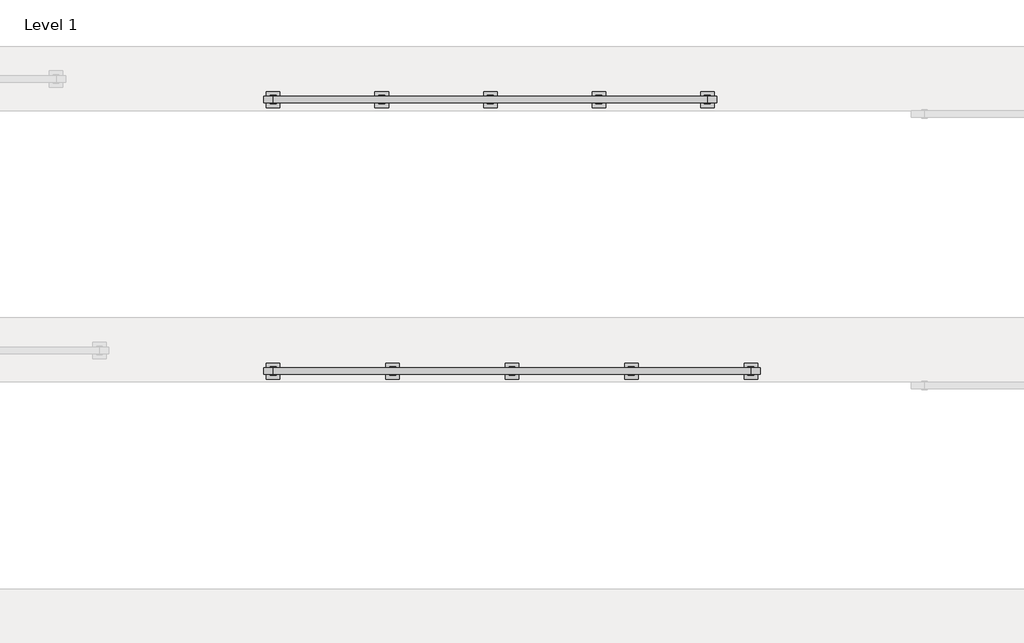
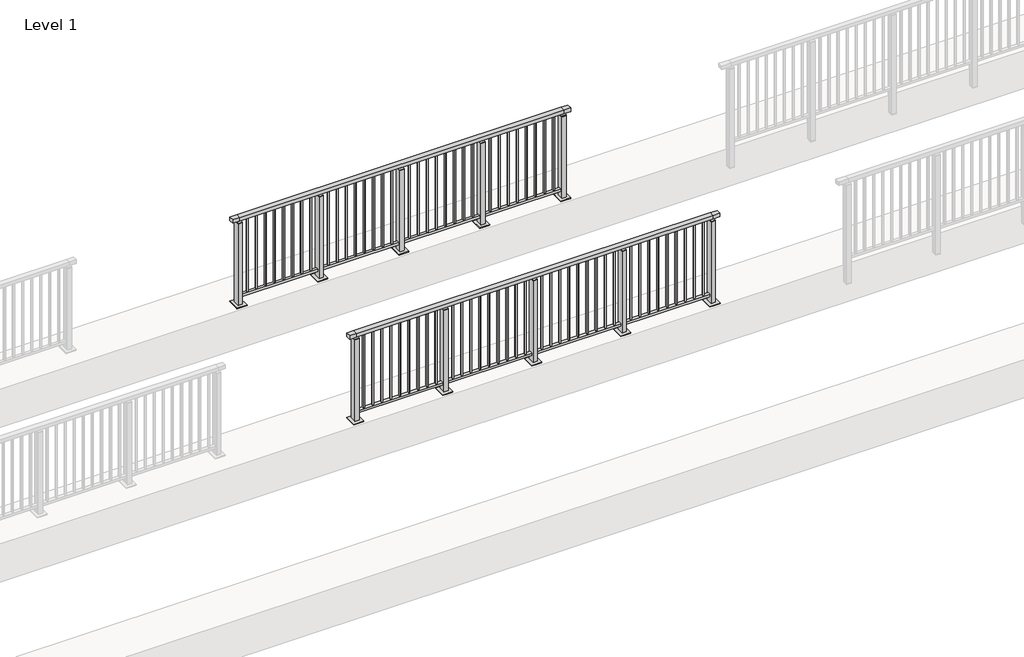
# One storey, part 14 of 38: 2 railings.
"""IFC4 building model written with IfcOpenShell, lengths in millimetres."""

from ifc_helpers import new_model, si_unit, frame, origin, origin_with_axes, place, context, project, spatial, polyline, outline, extrude, faceted_brep, element, save

model = new_model("IFC4")

# Units and contexts
model_context = context("Model", 3, world=origin())
ifc_project = project(units=[si_unit("LENGTHUNIT", "METRE", prefix="MILLI")], contexts=[model_context])

# Site, building, storey
site = spatial("IfcSite", under=ifc_project)
building = spatial("IfcBuilding", under=site)
storey = spatial("IfcBuildingStorey", under=building, Name="Level 1", Elevation=0.0)

# Railings
placement = place(None, origin())
element("IfcRailing", 1, at=placement, inside=storey, context=model_context, shape_type="SolidModel", body=[
    faceted_brep([(6000.0, 20030.1846828, 1102.5), (6000.0, 20030.1846828, 1150.0), (10400.0, 20030.1846828, 1150.0), (10400.0, 20030.1846828, 1102.5), (6000.0, 19970.1846828, 1102.5), (10400.0, 19970.1846828, 1102.5), (6000.0, 19970.1846828, 1150.0), (10400.0, 19970.1846828, 1150.0), (5912.5, 20030.1846828, 1150.0), (5912.5, 20030.1846828, 1102.5), (5912.5, 19970.1846828, 1102.5), (5912.5, 19970.1846828, 1150.0), (10487.5, 20030.1846828, 1150.0), (10487.5, 19970.1846828, 1150.0), (10487.5, 19970.1846828, 1102.5), (10487.5, 20030.1846828, 1102.5)], [[[0, 1, 2, 3]], [[4, 0, 3, 5]], [[6, 4, 5, 7]], [[1, 6, 7, 2]], [[8, 9, 10, 11]], [[9, 8, 1, 0]], [[10, 9, 0, 4]], [[11, 10, 4, 6]], [[8, 11, 6, 1]], [[12, 13, 14, 15]], [[3, 2, 12, 15]], [[5, 3, 15, 14]], [[7, 5, 14, 13]], [[2, 7, 13, 12]]]),
    extrude(outline(polyline([(6000.0, 19982.1846828), (6000.0, 20018.1846828), (10400.0, 20018.1846828), (10400.0, 19982.1846828), (6000.0, 19982.1846828)])), frame((0.0, 0.0, 93.0), z_axis=(0.0, 0.0, 1.0), x_axis=(1.0, 0.0, 0.0)), (0.0, 0.0, 1.0), 32.0),
    extrude(outline(polyline([(10306.5, 20008.6846828), (10306.5, 19991.6846828), (10289.5, 19991.6846828), (10289.5, 20008.6846828), (10306.5, 20008.6846828)])), frame((0.0, 0.0, 125.0), z_axis=(0.0, 0.0, 1.0), x_axis=(1.0, 0.0, 0.0)), (0.0, 0.0, 1.0), 980.0),
    extrude(outline(polyline([(10194.5, 20008.6846828), (10194.5, 19991.6846828), (10177.5, 19991.6846828), (10177.5, 20008.6846828), (10194.5, 20008.6846828)])), frame((0.0, 0.0, 125.0), z_axis=(0.0, 0.0, 1.0), x_axis=(1.0, 0.0, 0.0)), (0.0, 0.0, 1.0), 980.0),
    extrude(outline(polyline([(10082.5, 20008.6846828), (10082.5, 19991.6846828), (10065.5, 19991.6846828), (10065.5, 20008.6846828), (10082.5, 20008.6846828)])), frame((0.0, 0.0, 125.0), z_axis=(0.0, 0.0, 1.0), x_axis=(1.0, 0.0, 0.0)), (0.0, 0.0, 1.0), 980.0),
    extrude(outline(polyline([(9970.5, 20008.6846828), (9970.5, 19991.6846828), (9953.5, 19991.6846828), (9953.5, 20008.6846828), (9970.5, 20008.6846828)])), frame((0.0, 0.0, 125.0), z_axis=(0.0, 0.0, 1.0), x_axis=(1.0, 0.0, 0.0)), (0.0, 0.0, 1.0), 980.0),
    extrude(outline(polyline([(9858.5, 20008.6846828), (9858.5, 19991.6846828), (9841.5, 19991.6846828), (9841.5, 20008.6846828), (9858.5, 20008.6846828)])), frame((0.0, 0.0, 125.0), z_axis=(0.0, 0.0, 1.0), x_axis=(1.0, 0.0, 0.0)), (0.0, 0.0, 1.0), 980.0),
    extrude(outline(polyline([(9746.5, 20008.6846828), (9746.5, 19991.6846828), (9729.5, 19991.6846828), (9729.5, 20008.6846828), (9746.5, 20008.6846828)])), frame((0.0, 0.0, 125.0), z_axis=(0.0, 0.0, 1.0), x_axis=(1.0, 0.0, 0.0)), (0.0, 0.0, 1.0), 980.0),
    extrude(outline(polyline([(9634.5, 20008.6846828), (9634.5, 19991.6846828), (9617.5, 19991.6846828), (9617.5, 20008.6846828), (9634.5, 20008.6846828)])), frame((0.0, 0.0, 125.0), z_axis=(0.0, 0.0, 1.0), x_axis=(1.0, 0.0, 0.0)), (0.0, 0.0, 1.0), 980.0),
    extrude(outline(polyline([(9522.5, 20008.6846828), (9522.5, 19991.6846828), (9505.5, 19991.6846828), (9505.5, 20008.6846828), (9522.5, 20008.6846828)])), frame((0.0, 0.0, 125.0), z_axis=(0.0, 0.0, 1.0), x_axis=(1.0, 0.0, 0.0)), (0.0, 0.0, 1.0), 980.0),
    extrude(outline(polyline([(9410.5, 20008.6846828), (9410.5, 19991.6846828), (9393.5, 19991.6846828), (9393.5, 20008.6846828), (9410.5, 20008.6846828)])), frame((0.0, 0.0, 125.0), z_axis=(0.0, 0.0, 1.0), x_axis=(1.0, 0.0, 0.0)), (0.0, 0.0, 1.0), 980.0),
    extrude(outline(polyline([(9310.0, 19990.1846828), (9290.0, 19990.1846828), (9290.0, 20010.1846828), (9310.0, 20010.1846828), (9310.0, 19990.1846828)])), frame((0.0, 0.0, 1085.0), z_axis=(0.0, 0.0, 1.0), x_axis=(1.0, 0.0, 0.0)), (0.0, 0.0, 1.0), 20.0),
    extrude(outline(polyline([(9327.0, 19961.1846828), (9273.0, 19961.1846828), (9273.0, 20039.1846828), (9327.0, 20039.1846828), (9327.0, 19961.1846828)])), frame((0.0, 0.0, 1077.0), z_axis=(0.0, 0.0, 1.0), x_axis=(1.0, 0.0, 0.0)), (0.0, 0.0, 1.0), 8.0),
    extrude(outline(polyline([(9362.5, 19925.1846828), (9237.5, 19925.1846828), (9237.5, 20075.1846828), (9362.5, 20075.1846828), (9362.5, 19925.1846828)])), origin_with_axes(), (0.0, 0.0, 1.0), 12.0),
    extrude(outline(polyline([(9327.0, 19961.1846828), (9273.0, 19961.1846828), (9273.0, 20039.1846828), (9327.0, 20039.1846828), (9327.0, 19961.1846828)])), frame((0.0, 0.0, 12.0), z_axis=(0.0, 0.0, 1.0), x_axis=(1.0, 0.0, 0.0)), (0.0, 0.0, 1.0), 1065.0),
    extrude(outline(polyline([(9206.5, 20008.6846828), (9206.5, 19991.6846828), (9189.5, 19991.6846828), (9189.5, 20008.6846828), (9206.5, 20008.6846828)])), frame((0.0, 0.0, 125.0), z_axis=(0.0, 0.0, 1.0), x_axis=(1.0, 0.0, 0.0)), (0.0, 0.0, 1.0), 980.0),
    extrude(outline(polyline([(9094.5, 20008.6846828), (9094.5, 19991.6846828), (9077.5, 19991.6846828), (9077.5, 20008.6846828), (9094.5, 20008.6846828)])), frame((0.0, 0.0, 125.0), z_axis=(0.0, 0.0, 1.0), x_axis=(1.0, 0.0, 0.0)), (0.0, 0.0, 1.0), 980.0),
    extrude(outline(polyline([(8982.5, 20008.6846828), (8982.5, 19991.6846828), (8965.5, 19991.6846828), (8965.5, 20008.6846828), (8982.5, 20008.6846828)])), frame((0.0, 0.0, 125.0), z_axis=(0.0, 0.0, 1.0), x_axis=(1.0, 0.0, 0.0)), (0.0, 0.0, 1.0), 980.0),
    extrude(outline(polyline([(8870.5, 20008.6846828), (8870.5, 19991.6846828), (8853.5, 19991.6846828), (8853.5, 20008.6846828), (8870.5, 20008.6846828)])), frame((0.0, 0.0, 125.0), z_axis=(0.0, 0.0, 1.0), x_axis=(1.0, 0.0, 0.0)), (0.0, 0.0, 1.0), 980.0),
    extrude(outline(polyline([(8758.5, 20008.6846828), (8758.5, 19991.6846828), (8741.5, 19991.6846828), (8741.5, 20008.6846828), (8758.5, 20008.6846828)])), frame((0.0, 0.0, 125.0), z_axis=(0.0, 0.0, 1.0), x_axis=(1.0, 0.0, 0.0)), (0.0, 0.0, 1.0), 980.0),
    extrude(outline(polyline([(8646.5, 20008.6846828), (8646.5, 19991.6846828), (8629.5, 19991.6846828), (8629.5, 20008.6846828), (8646.5, 20008.6846828)])), frame((0.0, 0.0, 125.0), z_axis=(0.0, 0.0, 1.0), x_axis=(1.0, 0.0, 0.0)), (0.0, 0.0, 1.0), 980.0),
    extrude(outline(polyline([(8534.5, 20008.6846828), (8534.5, 19991.6846828), (8517.5, 19991.6846828), (8517.5, 20008.6846828), (8534.5, 20008.6846828)])), frame((0.0, 0.0, 125.0), z_axis=(0.0, 0.0, 1.0), x_axis=(1.0, 0.0, 0.0)), (0.0, 0.0, 1.0), 980.0),
    extrude(outline(polyline([(8422.5, 20008.6846828), (8422.5, 19991.6846828), (8405.5, 19991.6846828), (8405.5, 20008.6846828), (8422.5, 20008.6846828)])), frame((0.0, 0.0, 125.0), z_axis=(0.0, 0.0, 1.0), x_axis=(1.0, 0.0, 0.0)), (0.0, 0.0, 1.0), 980.0),
    extrude(outline(polyline([(8310.5, 20008.6846828), (8310.5, 19991.6846828), (8293.5, 19991.6846828), (8293.5, 20008.6846828), (8310.5, 20008.6846828)])), frame((0.0, 0.0, 125.0), z_axis=(0.0, 0.0, 1.0), x_axis=(1.0, 0.0, 0.0)), (0.0, 0.0, 1.0), 980.0),
    extrude(outline(polyline([(8210.0, 19990.1846828), (8190.0, 19990.1846828), (8190.0, 20010.1846828), (8210.0, 20010.1846828), (8210.0, 19990.1846828)])), frame((0.0, 0.0, 1085.0), z_axis=(0.0, 0.0, 1.0), x_axis=(1.0, 0.0, 0.0)), (0.0, 0.0, 1.0), 20.0),
    extrude(outline(polyline([(8227.0, 19961.1846828), (8173.0, 19961.1846828), (8173.0, 20039.1846828), (8227.0, 20039.1846828), (8227.0, 19961.1846828)])), frame((0.0, 0.0, 1077.0), z_axis=(0.0, 0.0, 1.0), x_axis=(1.0, 0.0, 0.0)), (0.0, 0.0, 1.0), 8.0),
    extrude(outline(polyline([(8262.5, 19925.1846828), (8137.5, 19925.1846828), (8137.5, 20075.1846828), (8262.5, 20075.1846828), (8262.5, 19925.1846828)])), origin_with_axes(), (0.0, 0.0, 1.0), 12.0),
    extrude(outline(polyline([(8227.0, 19961.1846828), (8173.0, 19961.1846828), (8173.0, 20039.1846828), (8227.0, 20039.1846828), (8227.0, 19961.1846828)])), frame((0.0, 0.0, 12.0), z_axis=(0.0, 0.0, 1.0), x_axis=(1.0, 0.0, 0.0)), (0.0, 0.0, 1.0), 1065.0),
    extrude(outline(polyline([(8106.5, 20008.6846828), (8106.5, 19991.6846828), (8089.5, 19991.6846828), (8089.5, 20008.6846828), (8106.5, 20008.6846828)])), frame((0.0, 0.0, 125.0), z_axis=(0.0, 0.0, 1.0), x_axis=(1.0, 0.0, 0.0)), (0.0, 0.0, 1.0), 980.0),
    extrude(outline(polyline([(7994.5, 20008.6846828), (7994.5, 19991.6846828), (7977.5, 19991.6846828), (7977.5, 20008.6846828), (7994.5, 20008.6846828)])), frame((0.0, 0.0, 125.0), z_axis=(0.0, 0.0, 1.0), x_axis=(1.0, 0.0, 0.0)), (0.0, 0.0, 1.0), 980.0),
    extrude(outline(polyline([(7882.5, 20008.6846828), (7882.5, 19991.6846828), (7865.5, 19991.6846828), (7865.5, 20008.6846828), (7882.5, 20008.6846828)])), frame((0.0, 0.0, 125.0), z_axis=(0.0, 0.0, 1.0), x_axis=(1.0, 0.0, 0.0)), (0.0, 0.0, 1.0), 980.0),
    extrude(outline(polyline([(7770.5, 20008.6846828), (7770.5, 19991.6846828), (7753.5, 19991.6846828), (7753.5, 20008.6846828), (7770.5, 20008.6846828)])), frame((0.0, 0.0, 125.0), z_axis=(0.0, 0.0, 1.0), x_axis=(1.0, 0.0, 0.0)), (0.0, 0.0, 1.0), 980.0),
    extrude(outline(polyline([(7658.5, 20008.6846828), (7658.5, 19991.6846828), (7641.5, 19991.6846828), (7641.5, 20008.6846828), (7658.5, 20008.6846828)])), frame((0.0, 0.0, 125.0), z_axis=(0.0, 0.0, 1.0), x_axis=(1.0, 0.0, 0.0)), (0.0, 0.0, 1.0), 980.0),
    extrude(outline(polyline([(7546.5, 20008.6846828), (7546.5, 19991.6846828), (7529.5, 19991.6846828), (7529.5, 20008.6846828), (7546.5, 20008.6846828)])), frame((0.0, 0.0, 125.0), z_axis=(0.0, 0.0, 1.0), x_axis=(1.0, 0.0, 0.0)), (0.0, 0.0, 1.0), 980.0),
    extrude(outline(polyline([(7434.5, 20008.6846828), (7434.5, 19991.6846828), (7417.5, 19991.6846828), (7417.5, 20008.6846828), (7434.5, 20008.6846828)])), frame((0.0, 0.0, 125.0), z_axis=(0.0, 0.0, 1.0), x_axis=(1.0, 0.0, 0.0)), (0.0, 0.0, 1.0), 980.0),
    extrude(outline(polyline([(7322.5, 20008.6846828), (7322.5, 19991.6846828), (7305.5, 19991.6846828), (7305.5, 20008.6846828), (7322.5, 20008.6846828)])), frame((0.0, 0.0, 125.0), z_axis=(0.0, 0.0, 1.0), x_axis=(1.0, 0.0, 0.0)), (0.0, 0.0, 1.0), 980.0),
    extrude(outline(polyline([(7210.5, 20008.6846828), (7210.5, 19991.6846828), (7193.5, 19991.6846828), (7193.5, 20008.6846828), (7210.5, 20008.6846828)])), frame((0.0, 0.0, 125.0), z_axis=(0.0, 0.0, 1.0), x_axis=(1.0, 0.0, 0.0)), (0.0, 0.0, 1.0), 980.0),
    extrude(outline(polyline([(7110.0, 19990.1846828), (7090.0, 19990.1846828), (7090.0, 20010.1846828), (7110.0, 20010.1846828), (7110.0, 19990.1846828)])), frame((0.0, 0.0, 1085.0), z_axis=(0.0, 0.0, 1.0), x_axis=(1.0, 0.0, 0.0)), (0.0, 0.0, 1.0), 20.0),
    extrude(outline(polyline([(7127.0, 19961.1846828), (7073.0, 19961.1846828), (7073.0, 20039.1846828), (7127.0, 20039.1846828), (7127.0, 19961.1846828)])), frame((0.0, 0.0, 1077.0), z_axis=(0.0, 0.0, 1.0), x_axis=(1.0, 0.0, 0.0)), (0.0, 0.0, 1.0), 8.0),
    extrude(outline(polyline([(7162.5, 19925.1846828), (7037.5, 19925.1846828), (7037.5, 20075.1846828), (7162.5, 20075.1846828), (7162.5, 19925.1846828)])), origin_with_axes(), (0.0, 0.0, 1.0), 12.0),
    extrude(outline(polyline([(7127.0, 19961.1846828), (7073.0, 19961.1846828), (7073.0, 20039.1846828), (7127.0, 20039.1846828), (7127.0, 19961.1846828)])), frame((0.0, 0.0, 12.0), z_axis=(0.0, 0.0, 1.0), x_axis=(1.0, 0.0, 0.0)), (0.0, 0.0, 1.0), 1065.0),
    extrude(outline(polyline([(7006.5, 20008.6846828), (7006.5, 19991.6846828), (6989.5, 19991.6846828), (6989.5, 20008.6846828), (7006.5, 20008.6846828)])), frame((0.0, 0.0, 125.0), z_axis=(0.0, 0.0, 1.0), x_axis=(1.0, 0.0, 0.0)), (0.0, 0.0, 1.0), 980.0),
    extrude(outline(polyline([(6894.5, 20008.6846828), (6894.5, 19991.6846828), (6877.5, 19991.6846828), (6877.5, 20008.6846828), (6894.5, 20008.6846828)])), frame((0.0, 0.0, 125.0), z_axis=(0.0, 0.0, 1.0), x_axis=(1.0, 0.0, 0.0)), (0.0, 0.0, 1.0), 980.0),
    extrude(outline(polyline([(6782.5, 20008.6846828), (6782.5, 19991.6846828), (6765.5, 19991.6846828), (6765.5, 20008.6846828), (6782.5, 20008.6846828)])), frame((0.0, 0.0, 125.0), z_axis=(0.0, 0.0, 1.0), x_axis=(1.0, 0.0, 0.0)), (0.0, 0.0, 1.0), 980.0),
    extrude(outline(polyline([(6670.5, 20008.6846828), (6670.5, 19991.6846828), (6653.5, 19991.6846828), (6653.5, 20008.6846828), (6670.5, 20008.6846828)])), frame((0.0, 0.0, 125.0), z_axis=(0.0, 0.0, 1.0), x_axis=(1.0, 0.0, 0.0)), (0.0, 0.0, 1.0), 980.0),
    extrude(outline(polyline([(6558.5, 20008.6846828), (6558.5, 19991.6846828), (6541.5, 19991.6846828), (6541.5, 20008.6846828), (6558.5, 20008.6846828)])), frame((0.0, 0.0, 125.0), z_axis=(0.0, 0.0, 1.0), x_axis=(1.0, 0.0, 0.0)), (0.0, 0.0, 1.0), 980.0),
    extrude(outline(polyline([(6446.5, 20008.6846828), (6446.5, 19991.6846828), (6429.5, 19991.6846828), (6429.5, 20008.6846828), (6446.5, 20008.6846828)])), frame((0.0, 0.0, 125.0), z_axis=(0.0, 0.0, 1.0), x_axis=(1.0, 0.0, 0.0)), (0.0, 0.0, 1.0), 980.0),
    extrude(outline(polyline([(6334.5, 20008.6846828), (6334.5, 19991.6846828), (6317.5, 19991.6846828), (6317.5, 20008.6846828), (6334.5, 20008.6846828)])), frame((0.0, 0.0, 125.0), z_axis=(0.0, 0.0, 1.0), x_axis=(1.0, 0.0, 0.0)), (0.0, 0.0, 1.0), 980.0),
    extrude(outline(polyline([(6222.5, 20008.6846828), (6222.5, 19991.6846828), (6205.5, 19991.6846828), (6205.5, 20008.6846828), (6222.5, 20008.6846828)])), frame((0.0, 0.0, 125.0), z_axis=(0.0, 0.0, 1.0), x_axis=(1.0, 0.0, 0.0)), (0.0, 0.0, 1.0), 980.0),
    extrude(outline(polyline([(6110.5, 20008.6846828), (6110.5, 19991.6846828), (6093.5, 19991.6846828), (6093.5, 20008.6846828), (6110.5, 20008.6846828)])), frame((0.0, 0.0, 125.0), z_axis=(0.0, 0.0, 1.0), x_axis=(1.0, 0.0, 0.0)), (0.0, 0.0, 1.0), 980.0),
    extrude(outline(polyline([(10410.0, 19990.1846828), (10390.0, 19990.1846828), (10390.0, 20010.1846828), (10410.0, 20010.1846828), (10410.0, 19990.1846828)])), frame((0.0, 0.0, 1085.0), z_axis=(0.0, 0.0, 1.0), x_axis=(1.0, 0.0, 0.0)), (0.0, 0.0, 1.0), 20.0),
    extrude(outline(polyline([(10427.0, 19961.1846828), (10373.0, 19961.1846828), (10373.0, 20039.1846828), (10427.0, 20039.1846828), (10427.0, 19961.1846828)])), frame((0.0, 0.0, 1077.0), z_axis=(0.0, 0.0, 1.0), x_axis=(1.0, 0.0, 0.0)), (0.0, 0.0, 1.0), 8.0),
    extrude(outline(polyline([(10462.5, 19925.1846828), (10337.5, 19925.1846828), (10337.5, 20075.1846828), (10462.5, 20075.1846828), (10462.5, 19925.1846828)])), origin_with_axes(), (0.0, 0.0, 1.0), 12.0),
    extrude(outline(polyline([(10427.0, 19961.1846828), (10373.0, 19961.1846828), (10373.0, 20039.1846828), (10427.0, 20039.1846828), (10427.0, 19961.1846828)])), frame((0.0, 0.0, 12.0), z_axis=(0.0, 0.0, 1.0), x_axis=(1.0, 0.0, 0.0)), (0.0, 0.0, 1.0), 1065.0),
    extrude(outline(polyline([(6010.0, 19990.1846828), (5990.0, 19990.1846828), (5990.0, 20010.1846828), (6010.0, 20010.1846828), (6010.0, 19990.1846828)])), frame((0.0, 0.0, 1085.0), z_axis=(0.0, 0.0, 1.0), x_axis=(1.0, 0.0, 0.0)), (0.0, 0.0, 1.0), 20.0),
    extrude(outline(polyline([(6027.0, 19961.1846828), (5973.0, 19961.1846828), (5973.0, 20039.1846828), (6027.0, 20039.1846828), (6027.0, 19961.1846828)])), frame((0.0, 0.0, 1077.0), z_axis=(0.0, 0.0, 1.0), x_axis=(1.0, 0.0, 0.0)), (0.0, 0.0, 1.0), 8.0),
    extrude(outline(polyline([(6062.5, 19925.1846828), (5937.5, 19925.1846828), (5937.5, 20075.1846828), (6062.5, 20075.1846828), (6062.5, 19925.1846828)])), origin_with_axes(), (0.0, 0.0, 1.0), 12.0),
    extrude(outline(polyline([(6027.0, 19961.1846828), (5973.0, 19961.1846828), (5973.0, 20039.1846828), (6027.0, 20039.1846828), (6027.0, 19961.1846828)])), frame((0.0, 0.0, 12.0), z_axis=(0.0, 0.0, 1.0), x_axis=(1.0, 0.0, 0.0)), (0.0, 0.0, 1.0), 1065.0),
])
element("IfcRailing", 2, at=placement, inside=storey, context=model_context, shape_type="SolidModel", body=[
    faceted_brep([(6000.0, 22530.1846828, 1102.5), (6000.0, 22530.1846828, 1150.0), (10000.0, 22530.1846828, 1150.0), (10000.0, 22530.1846828, 1102.5), (6000.0, 22470.1846828, 1102.5), (10000.0, 22470.1846828, 1102.5), (6000.0, 22470.1846828, 1150.0), (10000.0, 22470.1846828, 1150.0), (5912.5, 22530.1846828, 1150.0), (5912.5, 22530.1846828, 1102.5), (5912.5, 22470.1846828, 1102.5), (5912.5, 22470.1846828, 1150.0), (10087.5, 22530.1846828, 1150.0), (10087.5, 22470.1846828, 1150.0), (10087.5, 22470.1846828, 1102.5), (10087.5, 22530.1846828, 1102.5)], [[[0, 1, 2, 3]], [[4, 0, 3, 5]], [[6, 4, 5, 7]], [[1, 6, 7, 2]], [[8, 9, 10, 11]], [[9, 8, 1, 0]], [[10, 9, 0, 4]], [[11, 10, 4, 6]], [[8, 11, 6, 1]], [[12, 13, 14, 15]], [[3, 2, 12, 15]], [[5, 3, 15, 14]], [[7, 5, 14, 13]], [[2, 7, 13, 12]]]),
    extrude(outline(polyline([(6000.0, 22482.1846828), (6000.0, 22518.1846828), (10000.0, 22518.1846828), (10000.0, 22482.1846828), (6000.0, 22482.1846828)])), frame((0.0, 0.0, 93.0), z_axis=(0.0, 0.0, 1.0), x_axis=(1.0, 0.0, 0.0)), (0.0, 0.0, 1.0), 32.0),
    extrude(outline(polyline([(9900.5, 22508.6846828), (9900.5, 22491.6846828), (9883.5, 22491.6846828), (9883.5, 22508.6846828), (9900.5, 22508.6846828)])), frame((0.0, 0.0, 125.0), z_axis=(0.0, 0.0, 1.0), x_axis=(1.0, 0.0, 0.0)), (0.0, 0.0, 1.0), 980.0),
    extrude(outline(polyline([(9788.5, 22508.6846828), (9788.5, 22491.6846828), (9771.5, 22491.6846828), (9771.5, 22508.6846828), (9788.5, 22508.6846828)])), frame((0.0, 0.0, 125.0), z_axis=(0.0, 0.0, 1.0), x_axis=(1.0, 0.0, 0.0)), (0.0, 0.0, 1.0), 980.0),
    extrude(outline(polyline([(9676.5, 22508.6846828), (9676.5, 22491.6846828), (9659.5, 22491.6846828), (9659.5, 22508.6846828), (9676.5, 22508.6846828)])), frame((0.0, 0.0, 125.0), z_axis=(0.0, 0.0, 1.0), x_axis=(1.0, 0.0, 0.0)), (0.0, 0.0, 1.0), 980.0),
    extrude(outline(polyline([(9564.5, 22508.6846828), (9564.5, 22491.6846828), (9547.5, 22491.6846828), (9547.5, 22508.6846828), (9564.5, 22508.6846828)])), frame((0.0, 0.0, 125.0), z_axis=(0.0, 0.0, 1.0), x_axis=(1.0, 0.0, 0.0)), (0.0, 0.0, 1.0), 980.0),
    extrude(outline(polyline([(9452.5, 22508.6846828), (9452.5, 22491.6846828), (9435.5, 22491.6846828), (9435.5, 22508.6846828), (9452.5, 22508.6846828)])), frame((0.0, 0.0, 125.0), z_axis=(0.0, 0.0, 1.0), x_axis=(1.0, 0.0, 0.0)), (0.0, 0.0, 1.0), 980.0),
    extrude(outline(polyline([(9340.5, 22508.6846828), (9340.5, 22491.6846828), (9323.5, 22491.6846828), (9323.5, 22508.6846828), (9340.5, 22508.6846828)])), frame((0.0, 0.0, 125.0), z_axis=(0.0, 0.0, 1.0), x_axis=(1.0, 0.0, 0.0)), (0.0, 0.0, 1.0), 980.0),
    extrude(outline(polyline([(9228.5, 22508.6846828), (9228.5, 22491.6846828), (9211.5, 22491.6846828), (9211.5, 22508.6846828), (9228.5, 22508.6846828)])), frame((0.0, 0.0, 125.0), z_axis=(0.0, 0.0, 1.0), x_axis=(1.0, 0.0, 0.0)), (0.0, 0.0, 1.0), 980.0),
    extrude(outline(polyline([(9116.5, 22508.6846828), (9116.5, 22491.6846828), (9099.5, 22491.6846828), (9099.5, 22508.6846828), (9116.5, 22508.6846828)])), frame((0.0, 0.0, 125.0), z_axis=(0.0, 0.0, 1.0), x_axis=(1.0, 0.0, 0.0)), (0.0, 0.0, 1.0), 980.0),
    extrude(outline(polyline([(9010.0, 22490.1846828), (8990.0, 22490.1846828), (8990.0, 22510.1846828), (9010.0, 22510.1846828), (9010.0, 22490.1846828)])), frame((0.0, 0.0, 1085.0), z_axis=(0.0, 0.0, 1.0), x_axis=(1.0, 0.0, 0.0)), (0.0, 0.0, 1.0), 20.0),
    extrude(outline(polyline([(9027.0, 22461.1846828), (8973.0, 22461.1846828), (8973.0, 22539.1846828), (9027.0, 22539.1846828), (9027.0, 22461.1846828)])), frame((0.0, 0.0, 1077.0), z_axis=(0.0, 0.0, 1.0), x_axis=(1.0, 0.0, 0.0)), (0.0, 0.0, 1.0), 8.0),
    extrude(outline(polyline([(9062.5, 22425.1846828), (8937.5, 22425.1846828), (8937.5, 22575.1846828), (9062.5, 22575.1846828), (9062.5, 22425.1846828)])), origin_with_axes(), (0.0, 0.0, 1.0), 12.0),
    extrude(outline(polyline([(9027.0, 22461.1846828), (8973.0, 22461.1846828), (8973.0, 22539.1846828), (9027.0, 22539.1846828), (9027.0, 22461.1846828)])), frame((0.0, 0.0, 12.0), z_axis=(0.0, 0.0, 1.0), x_axis=(1.0, 0.0, 0.0)), (0.0, 0.0, 1.0), 1065.0),
    extrude(outline(polyline([(8900.5, 22508.6846828), (8900.5, 22491.6846828), (8883.5, 22491.6846828), (8883.5, 22508.6846828), (8900.5, 22508.6846828)])), frame((0.0, 0.0, 125.0), z_axis=(0.0, 0.0, 1.0), x_axis=(1.0, 0.0, 0.0)), (0.0, 0.0, 1.0), 980.0),
    extrude(outline(polyline([(8788.5, 22508.6846828), (8788.5, 22491.6846828), (8771.5, 22491.6846828), (8771.5, 22508.6846828), (8788.5, 22508.6846828)])), frame((0.0, 0.0, 125.0), z_axis=(0.0, 0.0, 1.0), x_axis=(1.0, 0.0, 0.0)), (0.0, 0.0, 1.0), 980.0),
    extrude(outline(polyline([(8676.5, 22508.6846828), (8676.5, 22491.6846828), (8659.5, 22491.6846828), (8659.5, 22508.6846828), (8676.5, 22508.6846828)])), frame((0.0, 0.0, 125.0), z_axis=(0.0, 0.0, 1.0), x_axis=(1.0, 0.0, 0.0)), (0.0, 0.0, 1.0), 980.0),
    extrude(outline(polyline([(8564.5, 22508.6846828), (8564.5, 22491.6846828), (8547.5, 22491.6846828), (8547.5, 22508.6846828), (8564.5, 22508.6846828)])), frame((0.0, 0.0, 125.0), z_axis=(0.0, 0.0, 1.0), x_axis=(1.0, 0.0, 0.0)), (0.0, 0.0, 1.0), 980.0),
    extrude(outline(polyline([(8452.5, 22508.6846828), (8452.5, 22491.6846828), (8435.5, 22491.6846828), (8435.5, 22508.6846828), (8452.5, 22508.6846828)])), frame((0.0, 0.0, 125.0), z_axis=(0.0, 0.0, 1.0), x_axis=(1.0, 0.0, 0.0)), (0.0, 0.0, 1.0), 980.0),
    extrude(outline(polyline([(8340.5, 22508.6846828), (8340.5, 22491.6846828), (8323.5, 22491.6846828), (8323.5, 22508.6846828), (8340.5, 22508.6846828)])), frame((0.0, 0.0, 125.0), z_axis=(0.0, 0.0, 1.0), x_axis=(1.0, 0.0, 0.0)), (0.0, 0.0, 1.0), 980.0),
    extrude(outline(polyline([(8228.5, 22508.6846828), (8228.5, 22491.6846828), (8211.5, 22491.6846828), (8211.5, 22508.6846828), (8228.5, 22508.6846828)])), frame((0.0, 0.0, 125.0), z_axis=(0.0, 0.0, 1.0), x_axis=(1.0, 0.0, 0.0)), (0.0, 0.0, 1.0), 980.0),
    extrude(outline(polyline([(8116.5, 22508.6846828), (8116.5, 22491.6846828), (8099.5, 22491.6846828), (8099.5, 22508.6846828), (8116.5, 22508.6846828)])), frame((0.0, 0.0, 125.0), z_axis=(0.0, 0.0, 1.0), x_axis=(1.0, 0.0, 0.0)), (0.0, 0.0, 1.0), 980.0),
    extrude(outline(polyline([(8010.0, 22490.1846828), (7990.0, 22490.1846828), (7990.0, 22510.1846828), (8010.0, 22510.1846828), (8010.0, 22490.1846828)])), frame((0.0, 0.0, 1085.0), z_axis=(0.0, 0.0, 1.0), x_axis=(1.0, 0.0, 0.0)), (0.0, 0.0, 1.0), 20.0),
    extrude(outline(polyline([(8027.0, 22461.1846828), (7973.0, 22461.1846828), (7973.0, 22539.1846828), (8027.0, 22539.1846828), (8027.0, 22461.1846828)])), frame((0.0, 0.0, 1077.0), z_axis=(0.0, 0.0, 1.0), x_axis=(1.0, 0.0, 0.0)), (0.0, 0.0, 1.0), 8.0),
    extrude(outline(polyline([(8062.5, 22425.1846828), (7937.5, 22425.1846828), (7937.5, 22575.1846828), (8062.5, 22575.1846828), (8062.5, 22425.1846828)])), origin_with_axes(), (0.0, 0.0, 1.0), 12.0),
    extrude(outline(polyline([(8027.0, 22461.1846828), (7973.0, 22461.1846828), (7973.0, 22539.1846828), (8027.0, 22539.1846828), (8027.0, 22461.1846828)])), frame((0.0, 0.0, 12.0), z_axis=(0.0, 0.0, 1.0), x_axis=(1.0, 0.0, 0.0)), (0.0, 0.0, 1.0), 1065.0),
    extrude(outline(polyline([(7900.5, 22508.6846828), (7900.5, 22491.6846828), (7883.5, 22491.6846828), (7883.5, 22508.6846828), (7900.5, 22508.6846828)])), frame((0.0, 0.0, 125.0), z_axis=(0.0, 0.0, 1.0), x_axis=(1.0, 0.0, 0.0)), (0.0, 0.0, 1.0), 980.0),
    extrude(outline(polyline([(7788.5, 22508.6846828), (7788.5, 22491.6846828), (7771.5, 22491.6846828), (7771.5, 22508.6846828), (7788.5, 22508.6846828)])), frame((0.0, 0.0, 125.0), z_axis=(0.0, 0.0, 1.0), x_axis=(1.0, 0.0, 0.0)), (0.0, 0.0, 1.0), 980.0),
    extrude(outline(polyline([(7676.5, 22508.6846828), (7676.5, 22491.6846828), (7659.5, 22491.6846828), (7659.5, 22508.6846828), (7676.5, 22508.6846828)])), frame((0.0, 0.0, 125.0), z_axis=(0.0, 0.0, 1.0), x_axis=(1.0, 0.0, 0.0)), (0.0, 0.0, 1.0), 980.0),
    extrude(outline(polyline([(7564.5, 22508.6846828), (7564.5, 22491.6846828), (7547.5, 22491.6846828), (7547.5, 22508.6846828), (7564.5, 22508.6846828)])), frame((0.0, 0.0, 125.0), z_axis=(0.0, 0.0, 1.0), x_axis=(1.0, 0.0, 0.0)), (0.0, 0.0, 1.0), 980.0),
    extrude(outline(polyline([(7452.5, 22508.6846828), (7452.5, 22491.6846828), (7435.5, 22491.6846828), (7435.5, 22508.6846828), (7452.5, 22508.6846828)])), frame((0.0, 0.0, 125.0), z_axis=(0.0, 0.0, 1.0), x_axis=(1.0, 0.0, 0.0)), (0.0, 0.0, 1.0), 980.0),
    extrude(outline(polyline([(7340.5, 22508.6846828), (7340.5, 22491.6846828), (7323.5, 22491.6846828), (7323.5, 22508.6846828), (7340.5, 22508.6846828)])), frame((0.0, 0.0, 125.0), z_axis=(0.0, 0.0, 1.0), x_axis=(1.0, 0.0, 0.0)), (0.0, 0.0, 1.0), 980.0),
    extrude(outline(polyline([(7228.5, 22508.6846828), (7228.5, 22491.6846828), (7211.5, 22491.6846828), (7211.5, 22508.6846828), (7228.5, 22508.6846828)])), frame((0.0, 0.0, 125.0), z_axis=(0.0, 0.0, 1.0), x_axis=(1.0, 0.0, 0.0)), (0.0, 0.0, 1.0), 980.0),
    extrude(outline(polyline([(7116.5, 22508.6846828), (7116.5, 22491.6846828), (7099.5, 22491.6846828), (7099.5, 22508.6846828), (7116.5, 22508.6846828)])), frame((0.0, 0.0, 125.0), z_axis=(0.0, 0.0, 1.0), x_axis=(1.0, 0.0, 0.0)), (0.0, 0.0, 1.0), 980.0),
    extrude(outline(polyline([(7010.0, 22490.1846828), (6990.0, 22490.1846828), (6990.0, 22510.1846828), (7010.0, 22510.1846828), (7010.0, 22490.1846828)])), frame((0.0, 0.0, 1085.0), z_axis=(0.0, 0.0, 1.0), x_axis=(1.0, 0.0, 0.0)), (0.0, 0.0, 1.0), 20.0),
    extrude(outline(polyline([(7027.0, 22461.1846828), (6973.0, 22461.1846828), (6973.0, 22539.1846828), (7027.0, 22539.1846828), (7027.0, 22461.1846828)])), frame((0.0, 0.0, 1077.0), z_axis=(0.0, 0.0, 1.0), x_axis=(1.0, 0.0, 0.0)), (0.0, 0.0, 1.0), 8.0),
    extrude(outline(polyline([(7062.5, 22425.1846828), (6937.5, 22425.1846828), (6937.5, 22575.1846828), (7062.5, 22575.1846828), (7062.5, 22425.1846828)])), origin_with_axes(), (0.0, 0.0, 1.0), 12.0),
    extrude(outline(polyline([(7027.0, 22461.1846828), (6973.0, 22461.1846828), (6973.0, 22539.1846828), (7027.0, 22539.1846828), (7027.0, 22461.1846828)])), frame((0.0, 0.0, 12.0), z_axis=(0.0, 0.0, 1.0), x_axis=(1.0, 0.0, 0.0)), (0.0, 0.0, 1.0), 1065.0),
    extrude(outline(polyline([(6900.5, 22508.6846828), (6900.5, 22491.6846828), (6883.5, 22491.6846828), (6883.5, 22508.6846828), (6900.5, 22508.6846828)])), frame((0.0, 0.0, 125.0), z_axis=(0.0, 0.0, 1.0), x_axis=(1.0, 0.0, 0.0)), (0.0, 0.0, 1.0), 980.0),
    extrude(outline(polyline([(6788.5, 22508.6846828), (6788.5, 22491.6846828), (6771.5, 22491.6846828), (6771.5, 22508.6846828), (6788.5, 22508.6846828)])), frame((0.0, 0.0, 125.0), z_axis=(0.0, 0.0, 1.0), x_axis=(1.0, 0.0, 0.0)), (0.0, 0.0, 1.0), 980.0),
    extrude(outline(polyline([(6676.5, 22508.6846828), (6676.5, 22491.6846828), (6659.5, 22491.6846828), (6659.5, 22508.6846828), (6676.5, 22508.6846828)])), frame((0.0, 0.0, 125.0), z_axis=(0.0, 0.0, 1.0), x_axis=(1.0, 0.0, 0.0)), (0.0, 0.0, 1.0), 980.0),
    extrude(outline(polyline([(6564.5, 22508.6846828), (6564.5, 22491.6846828), (6547.5, 22491.6846828), (6547.5, 22508.6846828), (6564.5, 22508.6846828)])), frame((0.0, 0.0, 125.0), z_axis=(0.0, 0.0, 1.0), x_axis=(1.0, 0.0, 0.0)), (0.0, 0.0, 1.0), 980.0),
    extrude(outline(polyline([(6452.5, 22508.6846828), (6452.5, 22491.6846828), (6435.5, 22491.6846828), (6435.5, 22508.6846828), (6452.5, 22508.6846828)])), frame((0.0, 0.0, 125.0), z_axis=(0.0, 0.0, 1.0), x_axis=(1.0, 0.0, 0.0)), (0.0, 0.0, 1.0), 980.0),
    extrude(outline(polyline([(6340.5, 22508.6846828), (6340.5, 22491.6846828), (6323.5, 22491.6846828), (6323.5, 22508.6846828), (6340.5, 22508.6846828)])), frame((0.0, 0.0, 125.0), z_axis=(0.0, 0.0, 1.0), x_axis=(1.0, 0.0, 0.0)), (0.0, 0.0, 1.0), 980.0),
    extrude(outline(polyline([(6228.5, 22508.6846828), (6228.5, 22491.6846828), (6211.5, 22491.6846828), (6211.5, 22508.6846828), (6228.5, 22508.6846828)])), frame((0.0, 0.0, 125.0), z_axis=(0.0, 0.0, 1.0), x_axis=(1.0, 0.0, 0.0)), (0.0, 0.0, 1.0), 980.0),
    extrude(outline(polyline([(6116.5, 22508.6846828), (6116.5, 22491.6846828), (6099.5, 22491.6846828), (6099.5, 22508.6846828), (6116.5, 22508.6846828)])), frame((0.0, 0.0, 125.0), z_axis=(0.0, 0.0, 1.0), x_axis=(1.0, 0.0, 0.0)), (0.0, 0.0, 1.0), 980.0),
    extrude(outline(polyline([(10010.0, 22490.1846828), (9990.0, 22490.1846828), (9990.0, 22510.1846828), (10010.0, 22510.1846828), (10010.0, 22490.1846828)])), frame((0.0, 0.0, 1085.0), z_axis=(0.0, 0.0, 1.0), x_axis=(1.0, 0.0, 0.0)), (0.0, 0.0, 1.0), 20.0),
    extrude(outline(polyline([(10027.0, 22461.1846828), (9973.0, 22461.1846828), (9973.0, 22539.1846828), (10027.0, 22539.1846828), (10027.0, 22461.1846828)])), frame((0.0, 0.0, 1077.0), z_axis=(0.0, 0.0, 1.0), x_axis=(1.0, 0.0, 0.0)), (0.0, 0.0, 1.0), 8.0),
    extrude(outline(polyline([(10062.5, 22425.1846828), (9937.5, 22425.1846828), (9937.5, 22575.1846828), (10062.5, 22575.1846828), (10062.5, 22425.1846828)])), origin_with_axes(), (0.0, 0.0, 1.0), 12.0),
    extrude(outline(polyline([(10027.0, 22461.1846828), (9973.0, 22461.1846828), (9973.0, 22539.1846828), (10027.0, 22539.1846828), (10027.0, 22461.1846828)])), frame((0.0, 0.0, 12.0), z_axis=(0.0, 0.0, 1.0), x_axis=(1.0, 0.0, 0.0)), (0.0, 0.0, 1.0), 1065.0),
    extrude(outline(polyline([(6010.0, 22490.1846828), (5990.0, 22490.1846828), (5990.0, 22510.1846828), (6010.0, 22510.1846828), (6010.0, 22490.1846828)])), frame((0.0, 0.0, 1085.0), z_axis=(0.0, 0.0, 1.0), x_axis=(1.0, 0.0, 0.0)), (0.0, 0.0, 1.0), 20.0),
    extrude(outline(polyline([(6027.0, 22461.1846828), (5973.0, 22461.1846828), (5973.0, 22539.1846828), (6027.0, 22539.1846828), (6027.0, 22461.1846828)])), frame((0.0, 0.0, 1077.0), z_axis=(0.0, 0.0, 1.0), x_axis=(1.0, 0.0, 0.0)), (0.0, 0.0, 1.0), 8.0),
    extrude(outline(polyline([(6062.5, 22425.1846828), (5937.5, 22425.1846828), (5937.5, 22575.1846828), (6062.5, 22575.1846828), (6062.5, 22425.1846828)])), origin_with_axes(), (0.0, 0.0, 1.0), 12.0),
    extrude(outline(polyline([(6027.0, 22461.1846828), (5973.0, 22461.1846828), (5973.0, 22539.1846828), (6027.0, 22539.1846828), (6027.0, 22461.1846828)])), frame((0.0, 0.0, 12.0), z_axis=(0.0, 0.0, 1.0), x_axis=(1.0, 0.0, 0.0)), (0.0, 0.0, 1.0), 1065.0),
])

save(model, "model.ifc")
